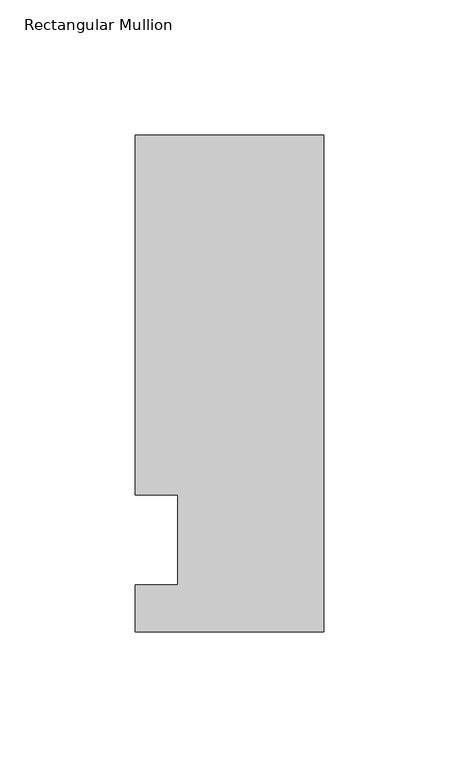
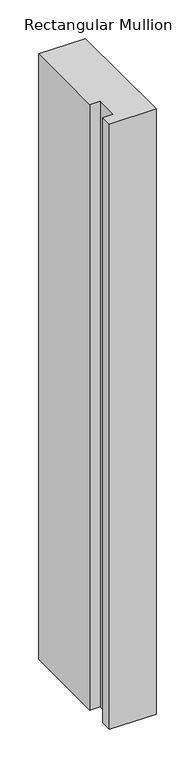
"""IFC4 building model written with IfcOpenShell, lengths in millimetres: member geometry, Rectangular Mullion."""

from ifc_helpers import new_model, si_unit, frame, origin, place, context, project, spatial, polyline, outline, extrude, source, transform, mapped, element, save


def rectangular_mullion_79b20798(model_context):
    return source(origin(), model_context, "Body", "SweptSolid", [
        extrude(outline(polyline([(-69.85, 150.01875), (0.0, 150.01875), (0.0, -34.13125), (-69.85, -34.13125), (-69.85, -16.66875), (-53.975, -16.66875), (-53.975, 16.66875), (-69.85, 16.66875), (-69.85, 150.01875)])), frame((0.0, 0.0, -958.85), z_axis=(0.0, 0.0, 1.0), x_axis=(1.0, 0.0, 0.0)), (0.0, 0.0, 1.0), 958.85),
    ])


if __name__ == "__main__":
    model = new_model("IFC4")
    model_context = context("Model", 3, world=origin())
    ifc_project = project(units=[si_unit("LENGTHUNIT", "METRE", prefix="MILLI")], contexts=[model_context])
    site = spatial("IfcSite", under=ifc_project)
    building = spatial("IfcBuilding", under=site)
    placement = place(None, origin())
    rectangular_mullion_shape = rectangular_mullion_79b20798(model_context)
    element("IfcMember", 1, ObjectType="Rectangular Mullion", at=placement, inside=building, context=model_context, shape_type="MappedRepresentation", body=[
        mapped(rectangular_mullion_shape, transform((0.0, 0.0, 0.0), x_axis=(1.0, 0.0, 0.0), y_axis=(0.0, 1.0, 0.0), z_axis=(0.0, 0.0, 1.0))),
    ])
    save(model, "model.ifc")
